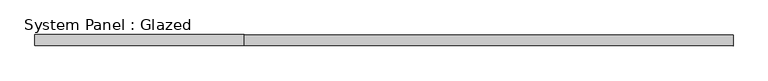
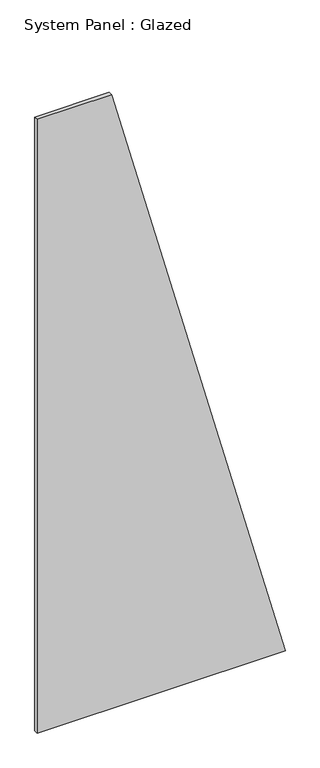
"""IFC4 building model written with IfcOpenShell, lengths in millimetres: plate geometry, System Panel : Glazed."""

from ifc_helpers import new_model, si_unit, frame, origin, place, context, project, spatial, polyline, outline, extrude, source, transform, mapped, element, save


def system_panel_glazed_575fdc23(model_context):
    return source(origin(), model_context, "Body", "SweptSolid", [
        extrude(outline(polyline([(0.0, -799.4622976), (0.0, 799.4622976), (4175.9249296, -319.4734149), (4175.9249296, -799.4622976), (0.0, -799.4622976)])), frame((0.0, -2.5, 0.0), z_axis=(0.0, 1.0, 0.0), x_axis=(0.0, 0.0, 1.0)), (0.0, 0.0, 1.0), 25.0),
    ])


if __name__ == "__main__":
    model = new_model("IFC4")
    model_context = context("Model", 3, world=origin())
    ifc_project = project(units=[si_unit("LENGTHUNIT", "METRE", prefix="MILLI")], contexts=[model_context])
    site = spatial("IfcSite", under=ifc_project)
    building = spatial("IfcBuilding", under=site)
    placement = place(None, origin())
    system_panel_glazed_shape = system_panel_glazed_575fdc23(model_context)
    element("IfcPlate", 1, ObjectType="System Panel : Glazed", at=placement, inside=building, context=model_context, shape_type="MappedRepresentation", body=[
        mapped(system_panel_glazed_shape, transform((0.0, 0.0, 0.0), x_axis=(1.0, 0.0, 0.0), y_axis=(0.0, 1.0, 0.0), z_axis=(0.0, 0.0, 1.0))),
    ])
    save(model, "model.ifc")
